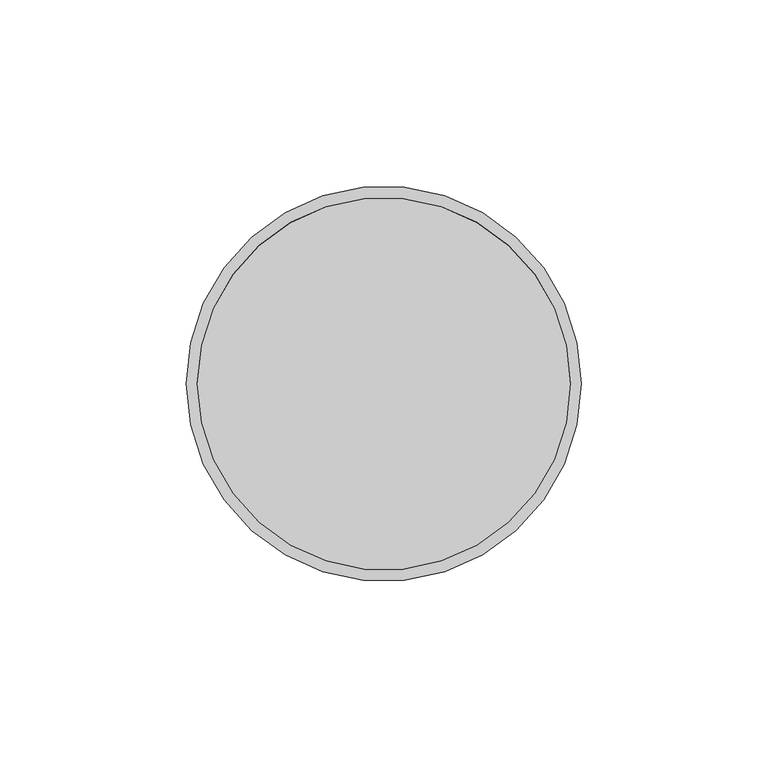
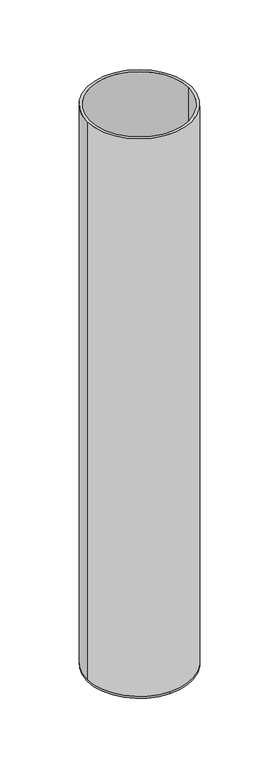
"""IFC4 building model written with IfcOpenShell, lengths in millimetres: beam geometry."""

from ifc_helpers import new_model, si_unit, frame, origin, place, context, project, spatial, polyline, circle_curve, source, transform, mapped, element, save
from ifc_brep_helpers import plane_surface, cylinder_surface, revolved_surface, advanced_brep


def beam_9c1c13f9(model_context):
    return source(origin(), model_context, "Body", "AdvancedBrep", [
        advanced_brep(
        [(53.0, 0.0, 0.0), (-53.0, 0.0, 0.0), (50.0, 0.0, 0.0), (-50.0, 0.0, 0.0), (50.0, 0.0, -598.0), (-50.0, 0.0, -598.0), (53.0, 0.0, -598.0), (0.0, 53.0, -598.0), (-53.0, 0.0, -598.0), (0.0, -53.0, -598.0), (0.0, 53.0, -600.0), (0.0, -53.0, -600.0)],
        [
            (0, 1, circle_curve(frame((0.0, 0.0, 0.0), z_axis=(0.0, 0.0, 1.0), x_axis=(-1.0, 0.0, 0.0)), 53.0)),
            (1, 0, circle_curve(frame((0.0, 0.0, 0.0), z_axis=(0.0, 0.0, 1.0), x_axis=(-1.0, 0.0, 0.0)), 53.0)),
            (2, 3, circle_curve(frame((0.0, 0.0, 0.0), z_axis=(0.0, 0.0, -1.0), x_axis=(-1.0, 0.0, 0.0)), 50.0)),
            (3, 2, circle_curve(frame((0.0, 0.0, 0.0), z_axis=(0.0, 0.0, -1.0), x_axis=(-1.0, 0.0, 0.0)), 50.0)),
            (2, 4),
            (4, 5, circle_curve(frame((0.0, 0.0, -598.0), z_axis=(0.0, 0.0, -1.0), x_axis=(-1.0, 0.0, 0.0)), 50.0)),
            (5, 3),
            (5, 4, circle_curve(frame((0.0, 0.0, -598.0), z_axis=(0.0, 0.0, -1.0), x_axis=(-1.0, 0.0, 0.0)), 50.0)),
            (0, 6),
            (6, 7, circle_curve(frame((0.0, 0.0, -598.0), z_axis=(0.0, 0.0, 1.0), x_axis=(-1.0, 0.0, 0.0)), 53.0)),
            (7, 8, circle_curve(frame((0.0, 0.0, -598.0), z_axis=(0.0, 0.0, 1.0), x_axis=(-1.0, 0.0, 0.0)), 53.0)),
            (8, 1),
            (8, 9, circle_curve(frame((0.0, 0.0, -598.0), z_axis=(0.0, 0.0, 1.0), x_axis=(-1.0, 0.0, 0.0)), 53.0)),
            (9, 6, circle_curve(frame((0.0, 0.0, -598.0), z_axis=(0.0, 0.0, 1.0), x_axis=(-1.0, 0.0, 0.0)), 53.0)),
            (10, 11, circle_curve(frame((0.0, 0.0, -600.0), z_axis=(0.0, 0.0, -1.0), x_axis=(0.0, -1.0, 0.0)), 53.0)),
            (11, 10, circle_curve(frame((0.0, 0.0, -600.0), z_axis=(0.0, 0.0, -1.0), x_axis=(0.0, -1.0, 0.0)), 53.0)),
            (11, 9),
            (7, 10),
        ],
        [
            plane_surface(frame((0.0, 0.0, 0.0), z_axis=(0.0, 0.0, 1.0), x_axis=(0.0, -1.0, 0.0))),
            revolved_surface(polyline([(-50.0, 0.0, 0.0), (-50.0, 0.0, -598.0)]), (0.0, 0.0, -598.0), (0.0, 0.0, 1.0)),
            cylinder_surface(frame((0.0, 0.0, -598.0), z_axis=(0.0, 0.0, -1.0), x_axis=(-1.0, 0.0, 0.0)), 53.0),
            plane_surface(frame((0.0, 0.0, -598.0), z_axis=(0.0, 0.0, 1.0), x_axis=(0.0, -1.0, 0.0))),
            plane_surface(frame((0.0, 0.0, -600.0), z_axis=(0.0, 0.0, -1.0), x_axis=(0.0, -1.0, 0.0))),
            cylinder_surface(frame((0.0, 0.0, -598.0), z_axis=(0.0, 0.0, 1.0), x_axis=(0.0, -1.0, 0.0)), 53.0),
        ],
        [
            (0, [[1, 2], [3, 4]]),
            (1, [[-3, 5, 6, 7]]),
            (1, [[-4, -7, 8, -5]]),
            (2, [[-1, 9, 10, 11, 12]]),
            (2, [[-2, -12, 13, 14, -9]]),
            (3, [[-6, -8]]),
            (4, [[15, 16]]),
            (5, [[-16, 17, -13, -11, 18]]),
            (5, [[-15, -18, -10, -14, -17]]),
        ],
    ),
    ])


if __name__ == "__main__":
    model = new_model("IFC4")
    model_context = context("Model", 3, world=origin())
    ifc_project = project(units=[si_unit("LENGTHUNIT", "METRE", prefix="MILLI")], contexts=[model_context])
    site = spatial("IfcSite", under=ifc_project)
    building = spatial("IfcBuilding", under=site)
    placement = place(None, origin())
    beam_shape = beam_9c1c13f9(model_context)
    element("IfcBeam", 1, at=placement, inside=building, context=model_context, shape_type="MappedRepresentation", body=[
        mapped(beam_shape, transform((0.0, 0.0, 0.0), x_axis=(1.0, 0.0, 0.0), y_axis=(0.0, 1.0, 0.0), z_axis=(0.0, 0.0, 1.0))),
    ])
    save(model, "model.ifc")
